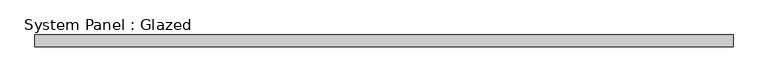
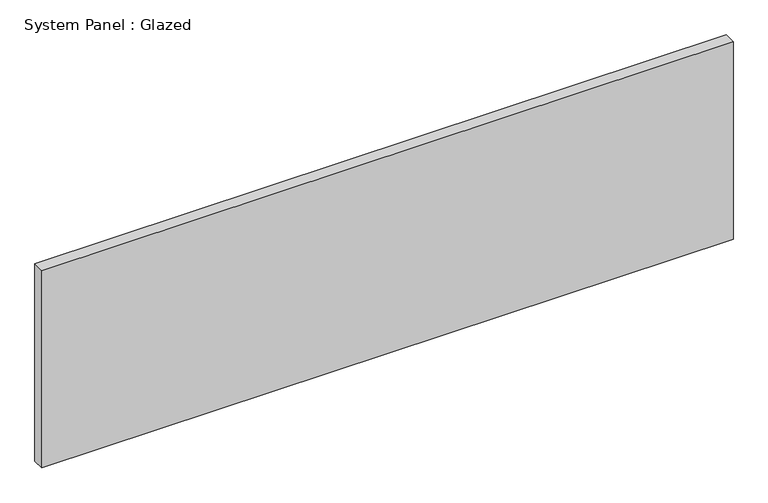
"""IFC4 building model written with IfcOpenShell, lengths in millimetres: plate geometry, System Panel : Glazed."""

from ifc_helpers import new_model, si_unit, origin, origin_with_axes, place, context, project, spatial, polyline, outline, extrude, source, transform, mapped, element, save


def system_panel_glazed_cdc541ff(model_context):
    return source(origin(), model_context, "Body", "SweptSolid", [
        extrude(outline(polyline([(736.6, -12.7), (-736.6, -12.7), (-736.6, 12.7), (736.6, 12.7), (736.6, -12.7)])), origin_with_axes(), (0.0, 0.0, 1.0), 444.5),
    ])


if __name__ == "__main__":
    model = new_model("IFC4")
    model_context = context("Model", 3, world=origin())
    ifc_project = project(units=[si_unit("LENGTHUNIT", "METRE", prefix="MILLI")], contexts=[model_context])
    site = spatial("IfcSite", under=ifc_project)
    building = spatial("IfcBuilding", under=site)
    placement = place(None, origin())
    system_panel_glazed_shape = system_panel_glazed_cdc541ff(model_context)
    element("IfcPlate", 1, ObjectType="System Panel : Glazed", at=placement, inside=building, context=model_context, shape_type="MappedRepresentation", body=[
        mapped(system_panel_glazed_shape, transform((0.0, 0.0, 0.0), x_axis=(1.0, 0.0, 0.0), y_axis=(0.0, 1.0, 0.0), z_axis=(0.0, 0.0, 1.0))),
    ])
    save(model, "model.ifc")
